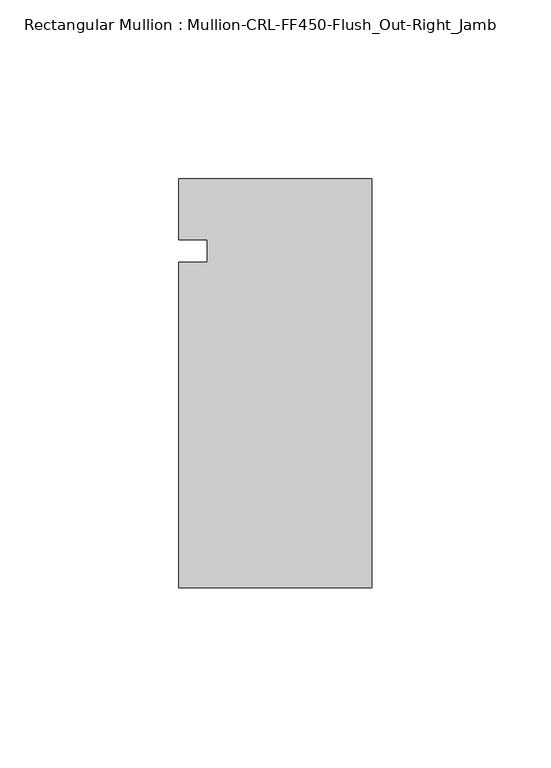
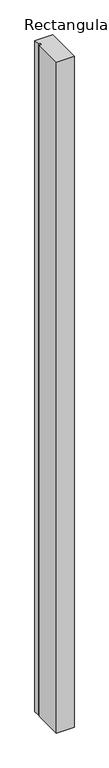
"""IFC4 building model written with IfcOpenShell, lengths in millimetres: member geometry, Rectangular Mullion : Mullion-CRL-FF450-Flush_Out-Right_Jamb."""

import ifcopenshell
import ifcopenshell.guid

model = None  # the IFC model being written
_history = None  # IfcOwnerHistory: only IFC2X3 demands one
_inside = {}  # id of a spatial element -> (the spatial element, [elements in it])
_under = {}  # id of a project, library or spatial element -> (it, [spatial elements below it])
_declared = {}  # id of a project -> (the project, [libraries it declares])
_typed = {}  # id of a type object -> (the type object, [elements of that type])
_made_of = {}  # id of a material, layer set ... -> (it, [elements and type objects made of it])


def new_model(schema):
    """Start an empty IFC model of exactly this schema.

    Asked for "IFC4X3", IfcOpenShell would pick the latest addendum, in which some entities
    have other attributes; the version numbers below select the first issue.
    IFC2X3 requires an IfcOwnerHistory on every rooted entity: one is made here for all.
    """
    global model, _history
    if schema == "IFC4X3":
        model = ifcopenshell.file(schema_version=(4, 3, 0, 0))
    else:
        model = ifcopenshell.file(schema=schema)
    _inside.clear()
    _under.clear()
    _declared.clear()
    _typed.clear()
    _made_of.clear()
    _history = None
    if model.schema == "IFC2X3":
        org = make("IfcOrganization", Name="unknown")
        user = make(
            "IfcPersonAndOrganization",
            ThePerson=make("IfcPerson", FamilyName="unknown"),
            TheOrganization=org,
        )
        app = make(
            "IfcApplication",
            ApplicationDeveloper=org,
            Version="unknown",
            ApplicationFullName="unknown",
            ApplicationIdentifier="unknown",
        )
        _history = make(
            "IfcOwnerHistory",
            OwningUser=user,
            OwningApplication=app,
            ChangeAction="ADDED",
            CreationDate=0,
        )
    return model


def make(cls, **values):
    """One entity of the class cls with the attributes given. An attribute that is None is left unset."""
    return model.create_entity(
        cls, **{name: value for name, value in values.items() if value is not None}
    )


def rooted(cls, **values):
    """An entity with a GlobalId (a new one), such as an element, a storey or a relation."""
    return make(cls, GlobalId=ifcopenshell.guid.new(), OwnerHistory=_history, **values)


def si_unit(unit_type, name, prefix=None):
    """IfcSIUnit, for example si_unit("LENGTHUNIT", "METRE", prefix="MILLI")."""
    return make("IfcSIUnit", UnitType=unit_type, Prefix=prefix, Name=name)


def assignment(units):
    """IfcUnitAssignment: the units of a project."""
    return None if units is None else make("IfcUnitAssignment", Units=units)


def point(xyz):
    """IfcCartesianPoint."""
    return None if xyz is None else make("IfcCartesianPoint", Coordinates=xyz)


def direction(xyz):
    """IfcDirection."""
    return None if xyz is None else make("IfcDirection", DirectionRatios=xyz)


def frame(location, z_axis=None, x_axis=None):
    """IfcAxis2Placement3D, a coordinate frame: its origin and axes. An axis left out is left unset."""
    return make(
        "IfcAxis2Placement3D",
        Location=point(location),
        Axis=direction(z_axis),
        RefDirection=direction(x_axis),
    )


def origin():
    """The frame at (0, 0, 0) with its axes left unset."""
    return frame((0.0, 0.0, 0.0))


def place(relative_to, where):
    """IfcLocalPlacement: puts the frame where relative to a parent placement (None: the world)."""
    return make(
        "IfcLocalPlacement", PlacementRelTo=relative_to, RelativePlacement=where
    )


def context(
    kind, dimensions, precision=None, world=None, true_north=None, identifier=None
):
    """IfcGeometricRepresentationContext, for example the 3D "Model" context."""
    return make(
        "IfcGeometricRepresentationContext",
        ContextIdentifier=identifier,
        ContextType=kind,
        CoordinateSpaceDimension=dimensions,
        Precision=precision,
        WorldCoordinateSystem=world,
        TrueNorth=true_north,
    )


def project(units=None, contexts=None):
    """IfcProject with its units and contexts."""
    return rooted(
        "IfcProject",
        Name="project",
        RepresentationContexts=contexts,
        UnitsInContext=assignment(units),
    )


def spatial(cls, under=None, at=None, **own):
    """A site, building, storey or space (cls), placed at a placement, below another one or the project."""
    s = rooted(cls, ObjectPlacement=at, **own)
    if under is not None:
        _under.setdefault(under.id(), (under, []))[1].append(s)
    return s


def polyline(points):
    """IfcPolyline through the points."""
    return make("IfcPolyline", Points=[point(p) for p in points])


def outline(outer, holes=None, kind="AREA"):
    """IfcArbitraryClosedProfileDef: a profile drawn as a closed curve; with holes, ...WithVoids."""
    if holes is None:
        return make("IfcArbitraryClosedProfileDef", ProfileType=kind, OuterCurve=outer)
    return make(
        "IfcArbitraryProfileDefWithVoids",
        ProfileType=kind,
        OuterCurve=outer,
        InnerCurves=holes,
    )


def extrude(swept, where, along, depth):
    """IfcExtrudedAreaSolid: the profile swept, set in the frame where, extruded along a direction by depth."""
    return make(
        "IfcExtrudedAreaSolid",
        SweptArea=swept,
        Position=where,
        ExtrudedDirection=direction(along),
        Depth=depth,
    )


def shape(context_of_items, identifier, shape_type, items):
    """IfcShapeRepresentation: the items that make up one representation, for example the "Body"."""
    return make(
        "IfcShapeRepresentation",
        ContextOfItems=context_of_items,
        RepresentationIdentifier=identifier,
        RepresentationType=shape_type,
        Items=items,
    )


def source(mapping_origin, context_of_items, identifier, shape_type, items):
    """IfcRepresentationMap: a shape defined once, which mapped items show again and again."""
    return make(
        "IfcRepresentationMap",
        MappingOrigin=mapping_origin,
        MappedRepresentation=shape(context_of_items, identifier, shape_type, items),
    )


def transform(
    local_origin,
    x_axis=None,
    y_axis=None,
    z_axis=None,
    scale=None,
    scale2=None,
    scale3=None,
    uniform=True,
):
    """IfcCartesianTransformationOperator3D, or its non-uniform kind. x_axis, y_axis, z_axis: its Axis1, 2, 3."""
    if uniform:
        return make(
            "IfcCartesianTransformationOperator3D",
            Axis1=direction(x_axis),
            Axis2=direction(y_axis),
            LocalOrigin=point(local_origin),
            Scale=scale,
            Axis3=direction(z_axis),
        )
    return make(
        "IfcCartesianTransformationOperator3DnonUniform",
        Axis1=direction(x_axis),
        Axis2=direction(y_axis),
        LocalOrigin=point(local_origin),
        Scale=scale,
        Axis3=direction(z_axis),
        Scale2=scale2,
        Scale3=scale3,
    )


def mapped(mapping_source, mapping_target):
    """IfcMappedItem: shows the shape of a source again, moved by a transform."""
    return make(
        "IfcMappedItem", MappingSource=mapping_source, MappingTarget=mapping_target
    )


def made_of(thing, what):
    """Note that an element or type object is made of a material, layer set ...; save() writes the relation."""
    if what is not None:
        _made_of.setdefault(what.id(), (what, []))[1].append(thing)
    return thing


def element(
    cls,
    number,
    at=None,
    inside=None,
    cuts=None,
    type_object=None,
    material=None,
    context=None,
    identifier="Body",
    shape_type=None,
    held_by="IfcProductDefinitionShape",
    body=None,
    shapes=None,
    **own,
):
    """One element of the class cls, such as IfcWall. Its Tag is "e" and its number.

    at: its placement. inside: the storey or other place that contains it. cuts: it is an
    opening in that element (IfcRelVoidsElement). A single representation is given by context,
    identifier, shape_type and body (its items); several are given by shapes. held_by: the class
    of the entity that holds the representations. save() writes the other relations.
    """
    e = rooted(cls, Tag="e%d" % number, ObjectPlacement=at, **own)
    if body is not None:
        shapes = [shape(context, identifier, shape_type, body)]
    if shapes is not None:
        e.Representation = make(held_by, Representations=shapes)
    if inside is not None:
        _inside.setdefault(inside.id(), (inside, []))[1].append(e)
    if cuts is not None:
        rooted(
            "IfcRelVoidsElement", RelatingBuildingElement=cuts, RelatedOpeningElement=e
        )
    if type_object is not None:
        _typed.setdefault(type_object.id(), (type_object, []))[1].append(e)
    return made_of(e, material)


def aggregate(whole, parts):
    """IfcRelAggregates: a whole, such as a stair, and the parts it consists of."""
    return rooted("IfcRelAggregates", RelatingObject=whole, RelatedObjects=parts)


def save(model, path):
    """Write the relations noted so far, then the file.

    IfcRelAggregates (storeys below a building ...), IfcRelContainedInSpatialStructure (elements
    in a storey), IfcRelDefinesByType, IfcRelAssociatesMaterial and IfcRelDeclares: one each for
    every whole, place, type object, material and project.
    """
    for whole, parts in _under.values():
        aggregate(whole, parts)
    for where, things in _inside.values():
        rooted(
            "IfcRelContainedInSpatialStructure",
            RelatedElements=things,
            RelatingStructure=where,
        )
    for kind, things in _typed.values():
        rooted("IfcRelDefinesByType", RelatedObjects=things, RelatingType=kind)
    for what, things in _made_of.values():
        rooted("IfcRelAssociatesMaterial", RelatedObjects=things, RelatingMaterial=what)
    for by, libraries in _declared.values():
        rooted("IfcRelDeclares", RelatingContext=by, RelatedDefinitions=libraries)
    model.write(path)


def rectangular_mullion_mullion_crl_ff450_flush_out_right_jamb_f2b4129b(model_context):
    return source(origin(), model_context, "Body", "SweptSolid", [
        extrude(outline(polyline([(0.0, 20.160815), (0.0, -94.139185), (-53.9750401, -94.139185), (-53.9750401, -3.1555912), (-46.0375401, -3.1555912), (-46.0375401, 3.1944088), (-53.9750401, 3.1944088), (-53.9750401, 20.160815), (0.0, 20.160815)])), frame((0.0, 0.0, -2174.875), z_axis=(0.0, 0.0, 1.0), x_axis=(1.0, 0.0, 0.0)), (0.0, 0.0, 1.0), 2174.875),
    ])


if __name__ == "__main__":
    model = new_model("IFC4")
    model_context = context("Model", 3, world=origin())
    ifc_project = project(units=[si_unit("LENGTHUNIT", "METRE", prefix="MILLI")], contexts=[model_context])
    site = spatial("IfcSite", under=ifc_project)
    building = spatial("IfcBuilding", under=site)
    placement = place(None, origin())
    rectangular_mullion_mullion_crl_ff450_flush_out_right_jamb_shape = rectangular_mullion_mullion_crl_ff450_flush_out_right_jamb_f2b4129b(model_context)
    element("IfcMember", 1, ObjectType="Rectangular Mullion : Mullion-CRL-FF450-Flush_Out-Right_Jamb", at=placement, inside=building, context=model_context, shape_type="MappedRepresentation", body=[
        mapped(rectangular_mullion_mullion_crl_ff450_flush_out_right_jamb_shape, transform((0.0, 0.0, 0.0), x_axis=(1.0, 0.0, 0.0), y_axis=(0.0, 1.0, 0.0), z_axis=(0.0, 0.0, 1.0))),
    ])
    save(model, "model.ifc")
